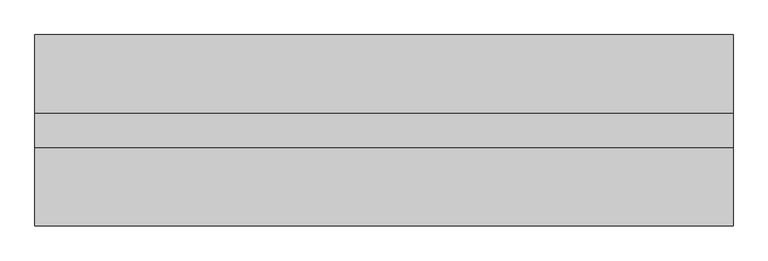
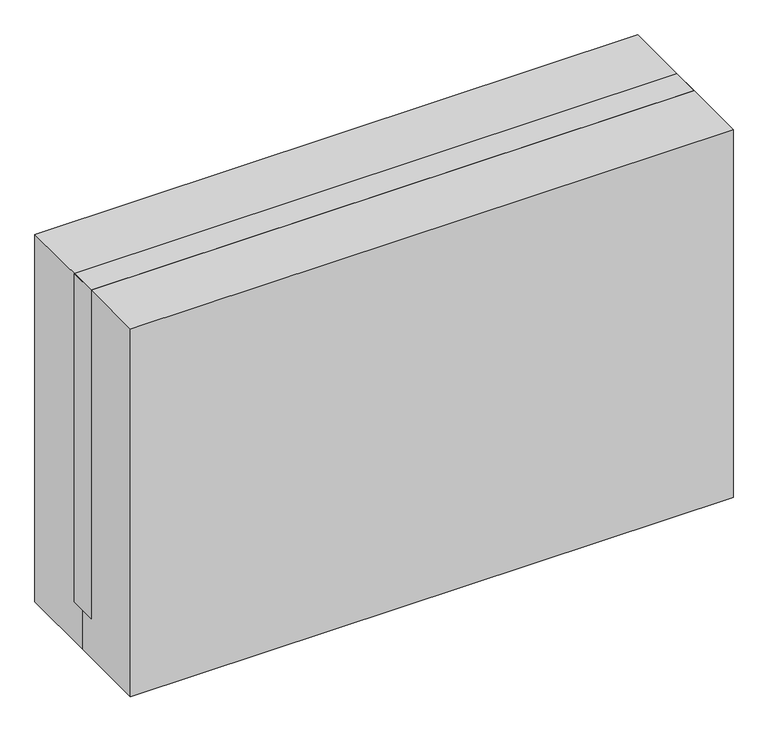
"""IFC4 building model written with IfcOpenShell, lengths in millimetres: proxy geometry."""

from ifc_helpers import new_model, si_unit, frame, origin, origin_with_axes, place, context, project, spatial, polyline, outline, extrude, source, transform, mapped, element, save


def specialty_equipment_e120b55a(model_context):
    return source(origin(), model_context, "Body", "SweptSolid", [
        extrude(outline(polyline([(1016.0, 787.4), (1016.0, -787.4), (107.95, -787.4), (107.95, 787.4), (1016.0, 787.4)]), holes=[polyline([(990.6, 762.0), (133.35, 762.0), (133.35, -762.0), (990.6, -762.0), (990.6, 762.0)])]), frame((0.0, -38.1, 0.0), z_axis=(0.0, 1.0, 0.0), x_axis=(0.0, 0.0, 1.0)), (0.0, 0.0, 1.0), 76.2),
        extrude(outline(polyline([(762.0, 12.7), (762.0, -38.1), (-762.0, -38.1), (-762.0, 12.7), (762.0, 12.7)])), frame((0.0, 0.0, 133.35), z_axis=(0.0, 0.0, 1.0), x_axis=(1.0, 0.0, 0.0)), (0.0, 0.0, 1.0), 857.25),
        extrude(outline(polyline([(-787.4, -215.9), (-787.4, 0.0), (-787.4, 215.9), (787.4, 215.9), (787.4, -215.9), (-787.4, -215.9)])), origin_with_axes(), (0.0, 0.0, 1.0), 1016.0),
    ])


if __name__ == "__main__":
    model = new_model("IFC4")
    model_context = context("Model", 3, world=origin())
    ifc_project = project(units=[si_unit("LENGTHUNIT", "METRE", prefix="MILLI")], contexts=[model_context])
    site = spatial("IfcSite", under=ifc_project)
    building = spatial("IfcBuilding", under=site)
    placement = place(None, origin())
    specialty_equipment_shape = specialty_equipment_e120b55a(model_context)
    element("IfcBuildingElementProxy", 1, Name="Specialty Equipment", at=placement, inside=building, context=model_context, shape_type="MappedRepresentation", body=[
        mapped(specialty_equipment_shape, transform((0.0, 0.0, 0.0), x_axis=(1.0, 0.0, 0.0), y_axis=(0.0, 1.0, 0.0), z_axis=(0.0, 0.0, 1.0))),
    ])
    save(model, "model.ifc")
